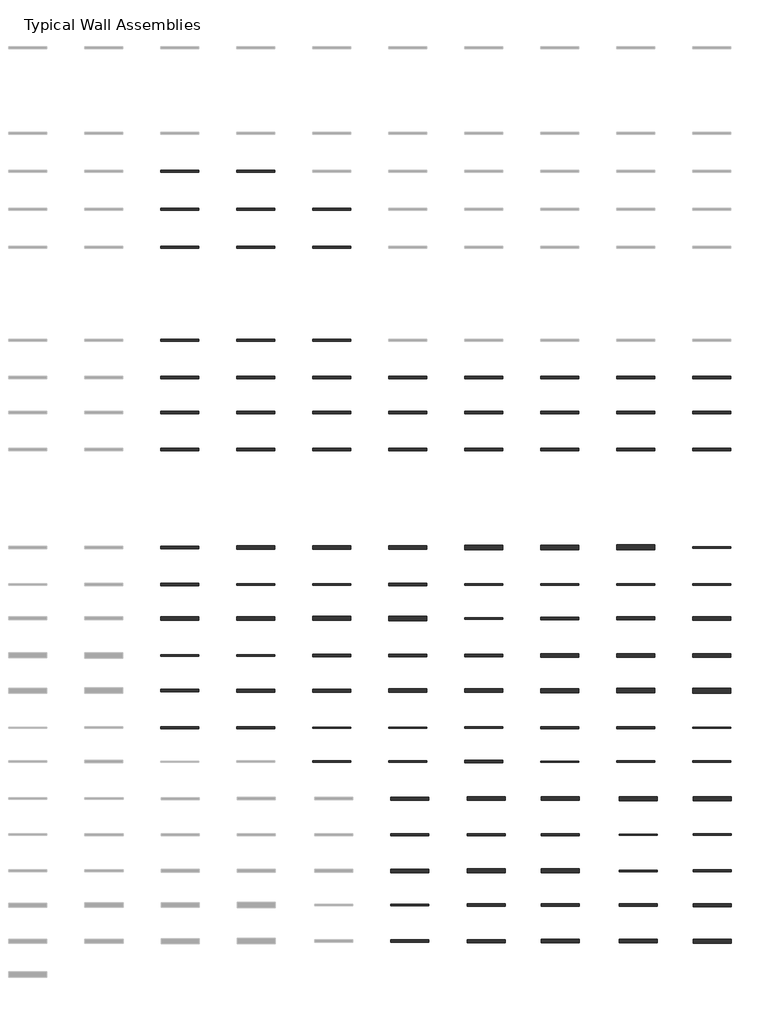
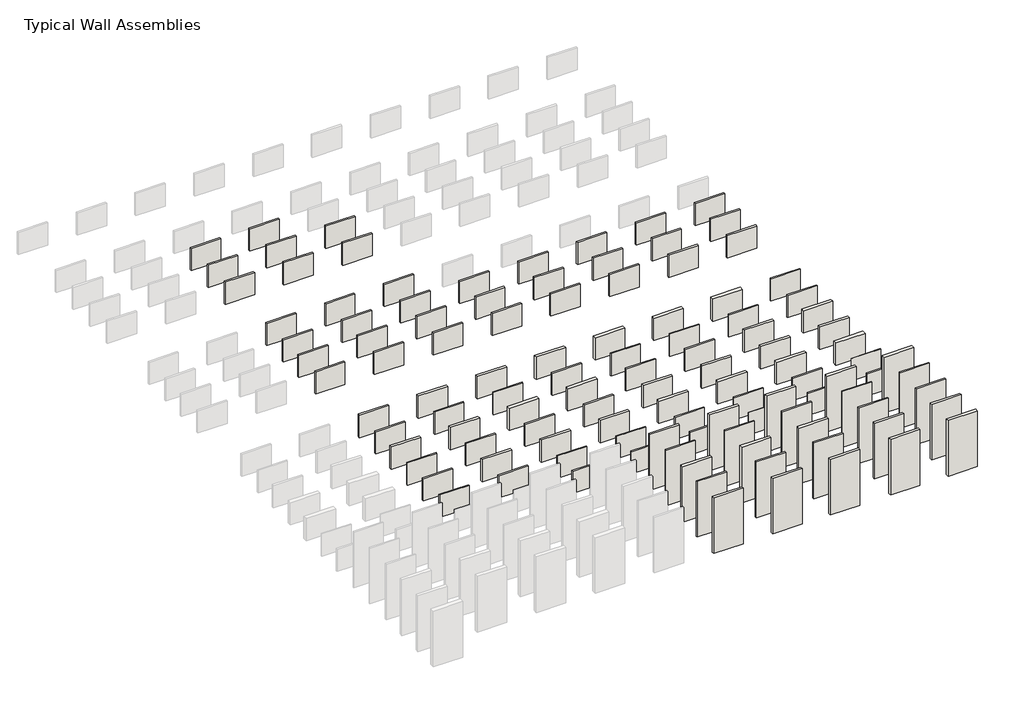
# One storey, part 2 of 3: 114 walls.
"""IFC4 building model written with IfcOpenShell, lengths in millimetres."""

from ifc_helpers import new_model, si_unit, frame, origin, place, context, project, spatial, polyline, outline, extrude, element, save

model = new_model("IFC4")

# Units and contexts
model_context = context("Model", 3, world=origin())
ifc_project = project(units=[si_unit("LENGTHUNIT", "METRE", prefix="MILLI")], contexts=[model_context])

# Site, building, storey
site = spatial("IfcSite", under=ifc_project)
building = spatial("IfcBuilding", under=site)
storey = spatial("IfcBuildingStorey", under=building, Name="Typical Wall Assemblies", Elevation=6096.0)

# Walls
placement = place(None, origin())
element("IfcWall", 1, at=placement, inside=storey, context=model_context, shape_type="SweptSolid", body=[
    extrude(outline(polyline([(3356.874931, -17627.484252), (308.874931, -17627.484252), (308.874931, -17441.746753), (3356.874931, -17441.746753), (3356.874931, -17627.484252)])), frame((0.0, 0.0, 6096.0), z_axis=(0.0, 0.0, 1.0), x_axis=(1.0, 0.0, 0.0)), (0.0, 0.0, 1.0), 2438.4),
])
element("IfcWall", 2, at=placement, inside=storey, context=model_context, shape_type="SweptSolid", body=[
    extrude(outline(polyline([(9452.874931, -17627.484252), (6404.874931, -17627.484252), (6404.874931, -17441.746753), (9452.874931, -17441.746753), (9452.874931, -17627.484252)])), frame((0.0, 0.0, 6096.0), z_axis=(0.0, 0.0, 1.0), x_axis=(1.0, 0.0, 0.0)), (0.0, 0.0, 1.0), 2438.4),
])
element("IfcWall", 3, at=placement, inside=storey, context=model_context, shape_type="SweptSolid", body=[
    extrude(outline(polyline([(3356.874931, -20675.484252), (308.874931, -20675.484252), (308.874931, -20489.746753), (3356.874931, -20489.746753), (3356.874931, -20675.484252)])), frame((0.0, 0.0, 6096.0), z_axis=(0.0, 0.0, 1.0), x_axis=(1.0, 0.0, 0.0)), (0.0, 0.0, 1.0), 2438.4),
])
element("IfcWall", 4, at=placement, inside=storey, context=model_context, shape_type="SweptSolid", body=[
    extrude(outline(polyline([(9452.874931, -20675.484252), (6404.874931, -20675.484252), (6404.874931, -20489.746753), (9452.874931, -20489.746753), (9452.874931, -20675.484252)])), frame((0.0, 0.0, 6096.0), z_axis=(0.0, 0.0, 1.0), x_axis=(1.0, 0.0, 0.0)), (0.0, 0.0, 1.0), 2438.4),
])
element("IfcWall", 5, at=placement, inside=storey, context=model_context, shape_type="SweptSolid", body=[
    extrude(outline(polyline([(15548.874931, -20675.484252), (12500.874931, -20675.484252), (12500.874931, -20489.746753), (15548.874931, -20489.746753), (15548.874931, -20675.484252)])), frame((0.0, 0.0, 6096.0), z_axis=(0.0, 0.0, 1.0), x_axis=(1.0, 0.0, 0.0)), (0.0, 0.0, 1.0), 2438.4),
])
element("IfcWall", 6, at=placement, inside=storey, context=model_context, shape_type="SweptSolid", body=[
    extrude(outline(polyline([(3356.874931, -23723.484252), (308.874931, -23723.484252), (308.874931, -23537.746753), (3356.874931, -23537.746753), (3356.874931, -23723.484252)])), frame((0.0, 0.0, 6096.0), z_axis=(0.0, 0.0, 1.0), x_axis=(1.0, 0.0, 0.0)), (0.0, 0.0, 1.0), 2438.4),
])
element("IfcWall", 7, at=placement, inside=storey, context=model_context, shape_type="SweptSolid", body=[
    extrude(outline(polyline([(9452.874931, -23723.484252), (6404.874931, -23723.484252), (6404.874931, -23537.746753), (9452.874931, -23537.746753), (9452.874931, -23723.484252)])), frame((0.0, 0.0, 6096.0), z_axis=(0.0, 0.0, 1.0), x_axis=(1.0, 0.0, 0.0)), (0.0, 0.0, 1.0), 2438.4),
])
element("IfcWall", 8, at=placement, inside=storey, context=model_context, shape_type="SweptSolid", body=[
    extrude(outline(polyline([(15548.874931, -23723.484252), (12500.874931, -23723.484252), (12500.874931, -23537.746753), (15548.874931, -23537.746753), (15548.874931, -23723.484252)])), frame((0.0, 0.0, 6096.0), z_axis=(0.0, 0.0, 1.0), x_axis=(1.0, 0.0, 0.0)), (0.0, 0.0, 1.0), 2438.4),
])
element("IfcWall", 9, at=placement, inside=storey, context=model_context, shape_type="SweptSolid", body=[
    extrude(outline(polyline([(3356.874931, -31190.290502), (308.874931, -31190.290502), (308.874931, -31006.140503), (3356.874931, -31006.140503), (3356.874931, -31190.290502)])), frame((0.0, 0.0, 6096.0), z_axis=(0.0, 0.0, 1.0), x_axis=(1.0, 0.0, 0.0)), (0.0, 0.0, 1.0), 2438.4),
])
element("IfcWall", 10, at=placement, inside=storey, context=model_context, shape_type="SweptSolid", body=[
    extrude(outline(polyline([(9452.874931, -31190.290502), (6404.874931, -31190.290502), (6404.874931, -31006.140503), (9452.874931, -31006.140503), (9452.874931, -31190.290502)])), frame((0.0, 0.0, 6096.0), z_axis=(0.0, 0.0, 1.0), x_axis=(1.0, 0.0, 0.0)), (0.0, 0.0, 1.0), 2438.4),
])
element("IfcWall", 11, at=placement, inside=storey, context=model_context, shape_type="SweptSolid", body=[
    extrude(outline(polyline([(15548.874931, -31190.290502), (12500.874931, -31190.290502), (12500.874931, -31006.140503), (15548.874931, -31006.140503), (15548.874931, -31190.290502)])), frame((0.0, 0.0, 6096.0), z_axis=(0.0, 0.0, 1.0), x_axis=(1.0, 0.0, 0.0)), (0.0, 0.0, 1.0), 2438.4),
])
element("IfcWall", 12, at=placement, inside=storey, context=model_context, shape_type="SweptSolid", body=[
    extrude(outline(polyline([(3356.874931, -34162.090502), (308.874931, -34162.090502), (308.874931, -33977.940503), (3356.874931, -33977.940503), (3356.874931, -34162.090502)])), frame((0.0, 0.0, 6096.0), z_axis=(0.0, 0.0, 1.0), x_axis=(1.0, 0.0, 0.0)), (0.0, 0.0, 1.0), 2438.4),
])
element("IfcWall", 13, at=placement, inside=storey, context=model_context, shape_type="SweptSolid", body=[
    extrude(outline(polyline([(9452.874931, -34162.090502), (6404.874931, -34162.090502), (6404.874931, -33977.940503), (9452.874931, -33977.940503), (9452.874931, -34162.090502)])), frame((0.0, 0.0, 6096.0), z_axis=(0.0, 0.0, 1.0), x_axis=(1.0, 0.0, 0.0)), (0.0, 0.0, 1.0), 2438.4),
])
element("IfcWall", 14, at=placement, inside=storey, context=model_context, shape_type="SweptSolid", body=[
    extrude(outline(polyline([(15548.874931, -34162.090502), (12500.874931, -34162.090502), (12500.874931, -33977.940503), (15548.874931, -33977.940503), (15548.874931, -34162.090502)])), frame((0.0, 0.0, 6096.0), z_axis=(0.0, 0.0, 1.0), x_axis=(1.0, 0.0, 0.0)), (0.0, 0.0, 1.0), 2438.4),
])
element("IfcWall", 15, at=placement, inside=storey, context=model_context, shape_type="SweptSolid", body=[
    extrude(outline(polyline([(21644.874931, -34162.090502), (18596.874931, -34162.090502), (18596.874931, -33977.940503), (21644.874931, -33977.940503), (21644.874931, -34162.090502)])), frame((0.0, 0.0, 6096.0), z_axis=(0.0, 0.0, 1.0), x_axis=(1.0, 0.0, 0.0)), (0.0, 0.0, 1.0), 2438.4),
])
element("IfcWall", 16, at=placement, inside=storey, context=model_context, shape_type="SweptSolid", body=[
    extrude(outline(polyline([(27740.874931, -34162.090502), (24692.874931, -34162.090502), (24692.874931, -33977.940503), (27740.874931, -33977.940503), (27740.874931, -34162.090502)])), frame((0.0, 0.0, 6096.0), z_axis=(0.0, 0.0, 1.0), x_axis=(1.0, 0.0, 0.0)), (0.0, 0.0, 1.0), 2438.4),
])
element("IfcWall", 17, at=placement, inside=storey, context=model_context, shape_type="SweptSolid", body=[
    extrude(outline(polyline([(33836.874931, -34162.090502), (30788.874931, -34162.090502), (30788.874931, -33977.940503), (33836.874931, -33977.940503), (33836.874931, -34162.090502)])), frame((0.0, 0.0, 6096.0), z_axis=(0.0, 0.0, 1.0), x_axis=(1.0, 0.0, 0.0)), (0.0, 0.0, 1.0), 2438.4),
])
element("IfcWall", 18, at=placement, inside=storey, context=model_context, shape_type="SweptSolid", body=[
    extrude(outline(polyline([(39932.874931, -34162.090502), (36884.874931, -34162.090502), (36884.874931, -33977.940503), (39932.874931, -33977.940503), (39932.874931, -34162.090502)])), frame((0.0, 0.0, 6096.0), z_axis=(0.0, 0.0, 1.0), x_axis=(1.0, 0.0, 0.0)), (0.0, 0.0, 1.0), 2438.4),
])
element("IfcWall", 19, at=placement, inside=storey, context=model_context, shape_type="SweptSolid", body=[
    extrude(outline(polyline([(46028.874931, -34162.090502), (42980.874931, -34162.090502), (42980.874931, -33977.940503), (46028.874931, -33977.940503), (46028.874931, -34162.090502)])), frame((0.0, 0.0, 6096.0), z_axis=(0.0, 0.0, 1.0), x_axis=(1.0, 0.0, 0.0)), (0.0, 0.0, 1.0), 2438.4),
])
element("IfcWall", 20, at=placement, inside=storey, context=model_context, shape_type="SweptSolid", body=[
    extrude(outline(polyline([(3356.874931, -36981.490502), (308.874931, -36981.490502), (308.874931, -36797.340503), (3356.874931, -36797.340503), (3356.874931, -36981.490502)])), frame((0.0, 0.0, 6096.0), z_axis=(0.0, 0.0, 1.0), x_axis=(1.0, 0.0, 0.0)), (0.0, 0.0, 1.0), 2438.4),
])
element("IfcWall", 21, at=placement, inside=storey, context=model_context, shape_type="SweptSolid", body=[
    extrude(outline(polyline([(9452.874931, -36981.490502), (6404.874931, -36981.490502), (6404.874931, -36797.340503), (9452.874931, -36797.340503), (9452.874931, -36981.490502)])), frame((0.0, 0.0, 6096.0), z_axis=(0.0, 0.0, 1.0), x_axis=(1.0, 0.0, 0.0)), (0.0, 0.0, 1.0), 2438.4),
])
element("IfcWall", 22, at=placement, inside=storey, context=model_context, shape_type="SweptSolid", body=[
    extrude(outline(polyline([(15548.874931, -36981.490502), (12500.874931, -36981.490502), (12500.874931, -36797.340503), (15548.874931, -36797.340503), (15548.874931, -36981.490502)])), frame((0.0, 0.0, 6096.0), z_axis=(0.0, 0.0, 1.0), x_axis=(1.0, 0.0, 0.0)), (0.0, 0.0, 1.0), 2438.4),
])
element("IfcWall", 23, at=placement, inside=storey, context=model_context, shape_type="SweptSolid", body=[
    extrude(outline(polyline([(21644.874931, -36981.490502), (18596.874931, -36981.490502), (18596.874931, -36797.340503), (21644.874931, -36797.340503), (21644.874931, -36981.490502)])), frame((0.0, 0.0, 6096.0), z_axis=(0.0, 0.0, 1.0), x_axis=(1.0, 0.0, 0.0)), (0.0, 0.0, 1.0), 2438.4),
])
element("IfcWall", 24, at=placement, inside=storey, context=model_context, shape_type="SweptSolid", body=[
    extrude(outline(polyline([(27740.874931, -36981.490502), (24692.874931, -36981.490502), (24692.874931, -36797.340503), (27740.874931, -36797.340503), (27740.874931, -36981.490502)])), frame((0.0, 0.0, 6096.0), z_axis=(0.0, 0.0, 1.0), x_axis=(1.0, 0.0, 0.0)), (0.0, 0.0, 1.0), 2438.4),
])
element("IfcWall", 25, at=placement, inside=storey, context=model_context, shape_type="SweptSolid", body=[
    extrude(outline(polyline([(33836.874931, -36981.490502), (30788.874931, -36981.490502), (30788.874931, -36797.340503), (33836.874931, -36797.340503), (33836.874931, -36981.490502)])), frame((0.0, 0.0, 6096.0), z_axis=(0.0, 0.0, 1.0), x_axis=(1.0, 0.0, 0.0)), (0.0, 0.0, 1.0), 2438.4),
])
element("IfcWall", 26, at=placement, inside=storey, context=model_context, shape_type="SweptSolid", body=[
    extrude(outline(polyline([(39932.874931, -36981.490502), (36884.874931, -36981.490502), (36884.874931, -36797.340503), (39932.874931, -36797.340503), (39932.874931, -36981.490502)])), frame((0.0, 0.0, 6096.0), z_axis=(0.0, 0.0, 1.0), x_axis=(1.0, 0.0, 0.0)), (0.0, 0.0, 1.0), 2438.4),
])
element("IfcWall", 27, at=placement, inside=storey, context=model_context, shape_type="SweptSolid", body=[
    extrude(outline(polyline([(46028.874931, -36981.490502), (42980.874931, -36981.490502), (42980.874931, -36797.340503), (46028.874931, -36797.340503), (46028.874931, -36981.490502)])), frame((0.0, 0.0, 6096.0), z_axis=(0.0, 0.0, 1.0), x_axis=(1.0, 0.0, 0.0)), (0.0, 0.0, 1.0), 2438.4),
])
element("IfcWall", 28, at=placement, inside=storey, context=model_context, shape_type="SweptSolid", body=[
    extrude(outline(polyline([(3356.874931, -39953.290502), (308.874931, -39953.290502), (308.874931, -39769.140503), (3356.874931, -39769.140503), (3356.874931, -39953.290502)])), frame((0.0, 0.0, 6096.0), z_axis=(0.0, 0.0, 1.0), x_axis=(1.0, 0.0, 0.0)), (0.0, 0.0, 1.0), 2438.4),
])
element("IfcWall", 29, at=placement, inside=storey, context=model_context, shape_type="SweptSolid", body=[
    extrude(outline(polyline([(9452.874931, -39953.290502), (6404.874931, -39953.290502), (6404.874931, -39769.140503), (9452.874931, -39769.140503), (9452.874931, -39953.290502)])), frame((0.0, 0.0, 6096.0), z_axis=(0.0, 0.0, 1.0), x_axis=(1.0, 0.0, 0.0)), (0.0, 0.0, 1.0), 2438.4),
])
element("IfcWall", 30, at=placement, inside=storey, context=model_context, shape_type="SweptSolid", body=[
    extrude(outline(polyline([(15548.874931, -39953.290502), (12500.874931, -39953.290502), (12500.874931, -39769.140503), (15548.874931, -39769.140503), (15548.874931, -39953.290502)])), frame((0.0, 0.0, 6096.0), z_axis=(0.0, 0.0, 1.0), x_axis=(1.0, 0.0, 0.0)), (0.0, 0.0, 1.0), 2438.4),
])
element("IfcWall", 31, at=placement, inside=storey, context=model_context, shape_type="SweptSolid", body=[
    extrude(outline(polyline([(21644.874931, -39953.290502), (18596.874931, -39953.290502), (18596.874931, -39769.140503), (21644.874931, -39769.140503), (21644.874931, -39953.290502)])), frame((0.0, 0.0, 6096.0), z_axis=(0.0, 0.0, 1.0), x_axis=(1.0, 0.0, 0.0)), (0.0, 0.0, 1.0), 2438.4),
])
element("IfcWall", 32, at=placement, inside=storey, context=model_context, shape_type="SweptSolid", body=[
    extrude(outline(polyline([(27740.874931, -39953.290502), (24692.874931, -39953.290502), (24692.874931, -39769.140503), (27740.874931, -39769.140503), (27740.874931, -39953.290502)])), frame((0.0, 0.0, 6096.0), z_axis=(0.0, 0.0, 1.0), x_axis=(1.0, 0.0, 0.0)), (0.0, 0.0, 1.0), 2438.4),
])
element("IfcWall", 33, at=placement, inside=storey, context=model_context, shape_type="SweptSolid", body=[
    extrude(outline(polyline([(33836.874931, -39953.290502), (30788.874931, -39953.290502), (30788.874931, -39769.140503), (33836.874931, -39769.140503), (33836.874931, -39953.290502)])), frame((0.0, 0.0, 6096.0), z_axis=(0.0, 0.0, 1.0), x_axis=(1.0, 0.0, 0.0)), (0.0, 0.0, 1.0), 2438.4),
])
element("IfcWall", 34, at=placement, inside=storey, context=model_context, shape_type="SweptSolid", body=[
    extrude(outline(polyline([(39932.874931, -39953.290502), (36884.874931, -39953.290502), (36884.874931, -39769.140503), (39932.874931, -39769.140503), (39932.874931, -39953.290502)])), frame((0.0, 0.0, 6096.0), z_axis=(0.0, 0.0, 1.0), x_axis=(1.0, 0.0, 0.0)), (0.0, 0.0, 1.0), 2438.4),
])
element("IfcWall", 35, at=placement, inside=storey, context=model_context, shape_type="SweptSolid", body=[
    extrude(outline(polyline([(46028.874931, -39953.290502), (42980.874931, -39953.290502), (42980.874931, -39769.140503), (46028.874931, -39769.140503), (46028.874931, -39953.290502)])), frame((0.0, 0.0, 6096.0), z_axis=(0.0, 0.0, 1.0), x_axis=(1.0, 0.0, 0.0)), (0.0, 0.0, 1.0), 2438.4),
])
element("IfcWall", 36, at=placement, inside=storey, context=model_context, shape_type="SweptSolid", body=[
    extrude(outline(polyline([(3356.874931, -47823.3535054), (308.874931, -47823.3535054), (308.874931, -47596.2774997), (3356.874931, -47596.2774997), (3356.874931, -47823.3535054)])), frame((0.0, 0.0, 6096.0), z_axis=(0.0, 0.0, 1.0), x_axis=(1.0, 0.0, 0.0)), (0.0, 0.0, 1.0), 2438.4),
])
element("IfcWall", 37, at=placement, inside=storey, context=model_context, shape_type="SweptSolid", body=[
    extrude(outline(polyline([(9452.874931, -47832.8785054), (6404.874931, -47832.8785054), (6404.874931, -47586.7524997), (9452.874931, -47586.7524997), (9452.874931, -47832.8785054)])), frame((0.0, 0.0, 6096.0), z_axis=(0.0, 0.0, 1.0), x_axis=(1.0, 0.0, 0.0)), (0.0, 0.0, 1.0), 2438.4),
])
element("IfcWall", 38, at=placement, inside=storey, context=model_context, shape_type="SweptSolid", body=[
    extrude(outline(polyline([(15548.874931, -47848.7534993), (12500.874931, -47848.7534993), (12500.874931, -47570.8775057), (15548.874931, -47570.8775057), (15548.874931, -47848.7534993)])), frame((0.0, 0.0, 6096.0), z_axis=(0.0, 0.0, 1.0), x_axis=(1.0, 0.0, 0.0)), (0.0, 0.0, 1.0), 2438.4),
])
element("IfcWall", 39, at=placement, inside=storey, context=model_context, shape_type="SweptSolid", body=[
    extrude(outline(polyline([(21644.874931, -47858.2784993), (18596.874931, -47858.2784993), (18596.874931, -47561.3525057), (21644.874931, -47561.3525057), (21644.874931, -47858.2784993)])), frame((0.0, 0.0, 6096.0), z_axis=(0.0, 0.0, 1.0), x_axis=(1.0, 0.0, 0.0)), (0.0, 0.0, 1.0), 2438.4),
])
element("IfcWall", 40, at=placement, inside=storey, context=model_context, shape_type="SweptSolid", body=[
    extrude(outline(polyline([(27740.874931, -47877.3284993), (24692.874931, -47877.3284993), (24692.874931, -47542.3025057), (27740.874931, -47542.3025057), (27740.874931, -47877.3284993)])), frame((0.0, 0.0, 6096.0), z_axis=(0.0, 0.0, 1.0), x_axis=(1.0, 0.0, 0.0)), (0.0, 0.0, 1.0), 2438.4),
])
element("IfcWall", 41, at=placement, inside=storey, context=model_context, shape_type="SweptSolid", body=[
    extrude(outline(polyline([(33836.874931, -47883.6785024), (30788.874931, -47883.6785024), (30788.874931, -47535.9525027), (33836.874931, -47535.9525027), (33836.874931, -47883.6785024)])), frame((0.0, 0.0, 6096.0), z_axis=(0.0, 0.0, 1.0), x_axis=(1.0, 0.0, 0.0)), (0.0, 0.0, 1.0), 2438.4),
])
element("IfcWall", 42, at=placement, inside=storey, context=model_context, shape_type="SweptSolid", body=[
    extrude(outline(polyline([(39932.874931, -47909.0784963), (36884.874931, -47909.0784963), (36884.874931, -47510.5525088), (39932.874931, -47510.5525088), (39932.874931, -47909.0784963)])), frame((0.0, 0.0, 6096.0), z_axis=(0.0, 0.0, 1.0), x_axis=(1.0, 0.0, 0.0)), (0.0, 0.0, 1.0), 2438.4),
])
element("IfcWall", 43, at=placement, inside=storey, context=model_context, shape_type="SweptSolid", body=[
    extrude(outline(polyline([(46028.874931, -47763.0285016), (42980.874931, -47763.0285016), (42980.874931, -47656.6025035), (46028.874931, -47656.6025035), (46028.874931, -47763.0285016)])), frame((0.0, 0.0, 6096.0), z_axis=(0.0, 0.0, 1.0), x_axis=(1.0, 0.0, 0.0)), (0.0, 0.0, 1.0), 2438.4),
])
element("IfcWall", 44, at=placement, inside=storey, context=model_context, shape_type="SweptSolid", body=[
    extrude(outline(polyline([(3356.874931, -50779.2785024), (308.874931, -50779.2785024), (308.874931, -50583.9525027), (3356.874931, -50583.9525027), (3356.874931, -50779.2785024)])), frame((0.0, 0.0, 6096.0), z_axis=(0.0, 0.0, 1.0), x_axis=(1.0, 0.0, 0.0)), (0.0, 0.0, 1.0), 2438.4),
])
element("IfcWall", 45, at=placement, inside=storey, context=model_context, shape_type="SweptSolid", body=[
    extrude(outline(polyline([(9452.874931, -50749.1160039), (6404.874931, -50749.1160039), (6404.874931, -50614.1150012), (9452.874931, -50614.1150012), (9452.874931, -50749.1160039)])), frame((0.0, 0.0, 6096.0), z_axis=(0.0, 0.0, 1.0), x_axis=(1.0, 0.0, 0.0)), (0.0, 0.0, 1.0), 2438.4),
])
element("IfcWall", 46, at=placement, inside=storey, context=model_context, shape_type="SweptSolid", body=[
    extrude(outline(polyline([(15548.874931, -50753.8785039), (12500.874931, -50753.8785039), (12500.874931, -50609.3525012), (15548.874931, -50609.3525012), (15548.874931, -50753.8785039)])), frame((0.0, 0.0, 6096.0), z_axis=(0.0, 0.0, 1.0), x_axis=(1.0, 0.0, 0.0)), (0.0, 0.0, 1.0), 2438.4),
])
element("IfcWall", 47, at=placement, inside=storey, context=model_context, shape_type="SweptSolid", body=[
    extrude(outline(polyline([(21644.874931, -50779.2785024), (18596.874931, -50779.2785024), (18596.874931, -50583.9525027), (21644.874931, -50583.9525027), (21644.874931, -50779.2785024)])), frame((0.0, 0.0, 6096.0), z_axis=(0.0, 0.0, 1.0), x_axis=(1.0, 0.0, 0.0)), (0.0, 0.0, 1.0), 2438.4),
])
element("IfcWall", 48, at=placement, inside=storey, context=model_context, shape_type="SweptSolid", body=[
    extrude(outline(polyline([(27740.874931, -50734.8285016), (24692.874931, -50734.8285016), (24692.874931, -50628.4025035), (27740.874931, -50628.4025035), (27740.874931, -50734.8285016)])), frame((0.0, 0.0, 6096.0), z_axis=(0.0, 0.0, 1.0), x_axis=(1.0, 0.0, 0.0)), (0.0, 0.0, 1.0), 2438.4),
])
element("IfcWall", 49, at=placement, inside=storey, context=model_context, shape_type="SweptSolid", body=[
    extrude(outline(polyline([(33836.874931, -50747.5285008), (30788.874931, -50747.5285008), (30788.874931, -50615.7025042), (33836.874931, -50615.7025042), (33836.874931, -50747.5285008)])), frame((0.0, 0.0, 6096.0), z_axis=(0.0, 0.0, 1.0), x_axis=(1.0, 0.0, 0.0)), (0.0, 0.0, 1.0), 2438.4),
])
element("IfcWall", 50, at=placement, inside=storey, context=model_context, shape_type="SweptSolid", body=[
    extrude(outline(polyline([(39932.874931, -50749.1160039), (36884.874931, -50749.1160039), (36884.874931, -50614.1150012), (39932.874931, -50614.1150012), (39932.874931, -50749.1160039)])), frame((0.0, 0.0, 6096.0), z_axis=(0.0, 0.0, 1.0), x_axis=(1.0, 0.0, 0.0)), (0.0, 0.0, 1.0), 2438.4),
])
element("IfcWall", 51, at=placement, inside=storey, context=model_context, shape_type="SweptSolid", body=[
    extrude(outline(polyline([(46028.874931, -50753.8785039), (42980.874931, -50753.8785039), (42980.874931, -50609.3525012), (46028.874931, -50609.3525012), (46028.874931, -50753.8785039)])), frame((0.0, 0.0, 6096.0), z_axis=(0.0, 0.0, 1.0), x_axis=(1.0, 0.0, 0.0)), (0.0, 0.0, 1.0), 2438.4),
])
element("IfcWall", 52, at=placement, inside=storey, context=model_context, shape_type="SweptSolid", body=[
    extrude(outline(polyline([(3356.874931, -53538.3534993), (308.874931, -53538.3534993), (308.874931, -53260.4775057), (3356.874931, -53260.4775057), (3356.874931, -53538.3534993)])), frame((0.0, 0.0, 6096.0), z_axis=(0.0, 0.0, 1.0), x_axis=(1.0, 0.0, 0.0)), (0.0, 0.0, 1.0), 2438.4),
])
element("IfcWall", 53, at=placement, inside=storey, context=model_context, shape_type="SweptSolid", body=[
    extrude(outline(polyline([(9452.874931, -53547.8784993), (6404.874931, -53547.8784993), (6404.874931, -53250.9525057), (9452.874931, -53250.9525057), (9452.874931, -53547.8784993)])), frame((0.0, 0.0, 6096.0), z_axis=(0.0, 0.0, 1.0), x_axis=(1.0, 0.0, 0.0)), (0.0, 0.0, 1.0), 2438.4),
])
element("IfcWall", 54, at=placement, inside=storey, context=model_context, shape_type="SweptSolid", body=[
    extrude(outline(polyline([(15548.874931, -53566.9284993), (12500.874931, -53566.9284993), (12500.874931, -53231.9025057), (15548.874931, -53231.9025057), (15548.874931, -53566.9284993)])), frame((0.0, 0.0, 6096.0), z_axis=(0.0, 0.0, 1.0), x_axis=(1.0, 0.0, 0.0)), (0.0, 0.0, 1.0), 2438.4),
])
element("IfcWall", 55, at=placement, inside=storey, context=model_context, shape_type="SweptSolid", body=[
    extrude(outline(polyline([(21644.874931, -53573.2785024), (18596.874931, -53573.2785024), (18596.874931, -53225.5525027), (21644.874931, -53225.5525027), (21644.874931, -53573.2785024)])), frame((0.0, 0.0, 6096.0), z_axis=(0.0, 0.0, 1.0), x_axis=(1.0, 0.0, 0.0)), (0.0, 0.0, 1.0), 2438.4),
])
element("IfcWall", 56, at=placement, inside=storey, context=model_context, shape_type="SweptSolid", body=[
    extrude(outline(polyline([(27740.874931, -53471.6785039), (24692.874931, -53471.6785039), (24692.874931, -53327.1525012), (27740.874931, -53327.1525012), (27740.874931, -53471.6785039)])), frame((0.0, 0.0, 6096.0), z_axis=(0.0, 0.0, 1.0), x_axis=(1.0, 0.0, 0.0)), (0.0, 0.0, 1.0), 2438.4),
])
element("IfcWall", 57, at=placement, inside=storey, context=model_context, shape_type="SweptSolid", body=[
    extrude(outline(polyline([(33836.874931, -53497.0785024), (30788.874931, -53497.0785024), (30788.874931, -53301.7525027), (33836.874931, -53301.7525027), (33836.874931, -53497.0785024)])), frame((0.0, 0.0, 6096.0), z_axis=(0.0, 0.0, 1.0), x_axis=(1.0, 0.0, 0.0)), (0.0, 0.0, 1.0), 2438.4),
])
element("IfcWall", 58, at=placement, inside=storey, context=model_context, shape_type="SweptSolid", body=[
    extrude(outline(polyline([(39932.874931, -53522.4785054), (36884.874931, -53522.4785054), (36884.874931, -53276.3524997), (39932.874931, -53276.3524997), (39932.874931, -53522.4785054)])), frame((0.0, 0.0, 6096.0), z_axis=(0.0, 0.0, 1.0), x_axis=(1.0, 0.0, 0.0)), (0.0, 0.0, 1.0), 2438.4),
])
element("IfcWall", 59, at=placement, inside=storey, context=model_context, shape_type="SweptSolid", body=[
    extrude(outline(polyline([(46028.874931, -53547.8784993), (42980.874931, -53547.8784993), (42980.874931, -53250.9525057), (46028.874931, -53250.9525057), (46028.874931, -53547.8784993)])), frame((0.0, 0.0, 6096.0), z_axis=(0.0, 0.0, 1.0), x_axis=(1.0, 0.0, 0.0)), (0.0, 0.0, 1.0), 2438.4),
])
element("IfcWall", 60, at=placement, inside=storey, context=model_context, shape_type="SweptSolid", body=[
    extrude(outline(polyline([(3356.874931, -56438.7160039), (308.874931, -56438.7160039), (308.874931, -56303.7150012), (3356.874931, -56303.7150012), (3356.874931, -56438.7160039)])), frame((0.0, 0.0, 6096.0), z_axis=(0.0, 0.0, 1.0), x_axis=(1.0, 0.0, 0.0)), (0.0, 0.0, 1.0), 2438.4),
])
element("IfcWall", 61, at=placement, inside=storey, context=model_context, shape_type="SweptSolid", body=[
    extrude(outline(polyline([(9452.874931, -56443.4785039), (6404.874931, -56443.4785039), (6404.874931, -56298.9525012), (9452.874931, -56298.9525012), (9452.874931, -56443.4785039)])), frame((0.0, 0.0, 6096.0), z_axis=(0.0, 0.0, 1.0), x_axis=(1.0, 0.0, 0.0)), (0.0, 0.0, 1.0), 2438.4),
])
element("IfcWall", 62, at=placement, inside=storey, context=model_context, shape_type="SweptSolid", body=[
    extrude(outline(polyline([(15548.874931, -56462.5285039), (12500.874931, -56462.5285039), (12500.874931, -56279.9025012), (15548.874931, -56279.9025012), (15548.874931, -56462.5285039)])), frame((0.0, 0.0, 6096.0), z_axis=(0.0, 0.0, 1.0), x_axis=(1.0, 0.0, 0.0)), (0.0, 0.0, 1.0), 2438.4),
])
element("IfcWall", 63, at=placement, inside=storey, context=model_context, shape_type="SweptSolid", body=[
    extrude(outline(polyline([(21644.874931, -56468.8785024), (18596.874931, -56468.8785024), (18596.874931, -56273.5525027), (21644.874931, -56273.5525027), (21644.874931, -56468.8785024)])), frame((0.0, 0.0, 6096.0), z_axis=(0.0, 0.0, 1.0), x_axis=(1.0, 0.0, 0.0)), (0.0, 0.0, 1.0), 2438.4),
])
element("IfcWall", 64, at=placement, inside=storey, context=model_context, shape_type="SweptSolid", body=[
    extrude(outline(polyline([(27740.874931, -56484.7535054), (24692.874931, -56484.7535054), (24692.874931, -56257.6774997), (27740.874931, -56257.6774997), (27740.874931, -56484.7535054)])), frame((0.0, 0.0, 6096.0), z_axis=(0.0, 0.0, 1.0), x_axis=(1.0, 0.0, 0.0)), (0.0, 0.0, 1.0), 2438.4),
])
element("IfcWall", 65, at=placement, inside=storey, context=model_context, shape_type="SweptSolid", body=[
    extrude(outline(polyline([(33836.874931, -56494.2785054), (30788.874931, -56494.2785054), (30788.874931, -56248.1524997), (33836.874931, -56248.1524997), (33836.874931, -56494.2785054)])), frame((0.0, 0.0, 6096.0), z_axis=(0.0, 0.0, 1.0), x_axis=(1.0, 0.0, 0.0)), (0.0, 0.0, 1.0), 2438.4),
])
element("IfcWall", 66, at=placement, inside=storey, context=model_context, shape_type="SweptSolid", body=[
    extrude(outline(polyline([(39932.874931, -56510.1534993), (36884.874931, -56510.1534993), (36884.874931, -56232.2775057), (39932.874931, -56232.2775057), (39932.874931, -56510.1534993)])), frame((0.0, 0.0, 6096.0), z_axis=(0.0, 0.0, 1.0), x_axis=(1.0, 0.0, 0.0)), (0.0, 0.0, 1.0), 2438.4),
])
element("IfcWall", 67, at=placement, inside=storey, context=model_context, shape_type="SweptSolid", body=[
    extrude(outline(polyline([(46028.874931, -56519.6784993), (42980.874931, -56519.6784993), (42980.874931, -56222.7525057), (46028.874931, -56222.7525057), (46028.874931, -56519.6784993)])), frame((0.0, 0.0, 6096.0), z_axis=(0.0, 0.0, 1.0), x_axis=(1.0, 0.0, 0.0)), (0.0, 0.0, 1.0), 2438.4),
])
element("IfcWall", 68, at=placement, inside=storey, context=model_context, shape_type="SweptSolid", body=[
    extrude(outline(polyline([(3356.874931, -59288.2785024), (308.874931, -59288.2785024), (308.874931, -59092.9525027), (3356.874931, -59092.9525027), (3356.874931, -59288.2785024)])), frame((0.0, 0.0, 6096.0), z_axis=(0.0, 0.0, 1.0), x_axis=(1.0, 0.0, 0.0)), (0.0, 0.0, 1.0), 2438.4),
])
element("IfcWall", 69, at=placement, inside=storey, context=model_context, shape_type="SweptSolid", body=[
    extrude(outline(polyline([(9452.874931, -59304.1535054), (6404.874931, -59304.1535054), (6404.874931, -59077.0774997), (9452.874931, -59077.0774997), (9452.874931, -59304.1535054)])), frame((0.0, 0.0, 6096.0), z_axis=(0.0, 0.0, 1.0), x_axis=(1.0, 0.0, 0.0)), (0.0, 0.0, 1.0), 2438.4),
])
element("IfcWall", 70, at=placement, inside=storey, context=model_context, shape_type="SweptSolid", body=[
    extrude(outline(polyline([(15548.874931, -59313.6785054), (12500.874931, -59313.6785054), (12500.874931, -59067.5524997), (15548.874931, -59067.5524997), (15548.874931, -59313.6785054)])), frame((0.0, 0.0, 6096.0), z_axis=(0.0, 0.0, 1.0), x_axis=(1.0, 0.0, 0.0)), (0.0, 0.0, 1.0), 2438.4),
])
element("IfcWall", 71, at=placement, inside=storey, context=model_context, shape_type="SweptSolid", body=[
    extrude(outline(polyline([(21644.874931, -59329.5534993), (18596.874931, -59329.5534993), (18596.874931, -59051.6775057), (21644.874931, -59051.6775057), (21644.874931, -59329.5534993)])), frame((0.0, 0.0, 6096.0), z_axis=(0.0, 0.0, 1.0), x_axis=(1.0, 0.0, 0.0)), (0.0, 0.0, 1.0), 2438.4),
])
element("IfcWall", 72, at=placement, inside=storey, context=model_context, shape_type="SweptSolid", body=[
    extrude(outline(polyline([(27740.874931, -59339.0784993), (24692.874931, -59339.0784993), (24692.874931, -59042.1525057), (27740.874931, -59042.1525057), (27740.874931, -59339.0784993)])), frame((0.0, 0.0, 6096.0), z_axis=(0.0, 0.0, 1.0), x_axis=(1.0, 0.0, 0.0)), (0.0, 0.0, 1.0), 2438.4),
])
element("IfcWall", 73, at=placement, inside=storey, context=model_context, shape_type="SweptSolid", body=[
    extrude(outline(polyline([(33836.874931, -59358.1284993), (30788.874931, -59358.1284993), (30788.874931, -59023.1025057), (33836.874931, -59023.1025057), (33836.874931, -59358.1284993)])), frame((0.0, 0.0, 6096.0), z_axis=(0.0, 0.0, 1.0), x_axis=(1.0, 0.0, 0.0)), (0.0, 0.0, 1.0), 2438.4),
])
element("IfcWall", 74, at=placement, inside=storey, context=model_context, shape_type="SweptSolid", body=[
    extrude(outline(polyline([(39932.874931, -59364.4785024), (36884.874931, -59364.4785024), (36884.874931, -59016.7525027), (39932.874931, -59016.7525027), (39932.874931, -59364.4785024)])), frame((0.0, 0.0, 6096.0), z_axis=(0.0, 0.0, 1.0), x_axis=(1.0, 0.0, 0.0)), (0.0, 0.0, 1.0), 2438.4),
])
element("IfcWall", 75, at=placement, inside=storey, context=model_context, shape_type="SweptSolid", body=[
    extrude(outline(polyline([(46028.874931, -59389.8784963), (42980.874931, -59389.8784963), (42980.874931, -58991.3525088), (46028.874931, -58991.3525088), (46028.874931, -59389.8784963)])), frame((0.0, 0.0, 6096.0), z_axis=(0.0, 0.0, 1.0), x_axis=(1.0, 0.0, 0.0)), (0.0, 0.0, 1.0), 2438.4),
])
element("IfcWall", 76, at=placement, inside=storey, context=model_context, shape_type="SweptSolid", body=[
    extrude(outline(polyline([(3356.874931, -62229.0905037), (308.874931, -62229.0905037), (308.874931, -62095.7405014), (3356.874931, -62095.7405014), (3356.874931, -62229.0905037)])), frame((0.0, 0.0, 6096.0), z_axis=(0.0, 0.0, 1.0), x_axis=(1.0, 0.0, 0.0)), (0.0, 0.0, 1.0), 2438.4),
])
element("IfcWall", 77, at=placement, inside=storey, context=model_context, shape_type="SweptSolid", body=[
    extrude(outline(polyline([(9452.874931, -62254.4905021), (6404.874931, -62254.4905021), (6404.874931, -62070.3405029), (9452.874931, -62070.3405029), (9452.874931, -62254.4905021)])), frame((0.0, 0.0, 6096.0), z_axis=(0.0, 0.0, 1.0), x_axis=(1.0, 0.0, 0.0)), (0.0, 0.0, 1.0), 2438.4),
])
element("IfcWall", 78, at=placement, inside=storey, context=model_context, shape_type="SweptSolid", body=[
    extrude(outline(polyline([(15548.874931, -62198.9280029), (12500.874931, -62198.9280029), (12500.874931, -62125.9030021), (15548.874931, -62125.9030021), (15548.874931, -62198.9280029)])), frame((0.0, 0.0, 6096.0), z_axis=(0.0, 0.0, 1.0), x_axis=(1.0, 0.0, 0.0)), (0.0, 0.0, 1.0), 2438.4),
])
element("IfcWall", 79, at=placement, inside=storey, context=model_context, shape_type="SweptSolid", body=[
    extrude(outline(polyline([(21644.874931, -62210.0405014), (18596.874931, -62210.0405014), (18596.874931, -62114.7905037), (21644.874931, -62114.7905037), (21644.874931, -62210.0405014)])), frame((0.0, 0.0, 6096.0), z_axis=(0.0, 0.0, 1.0), x_axis=(1.0, 0.0, 0.0)), (0.0, 0.0, 1.0), 2438.4),
])
element("IfcWall", 80, at=placement, inside=storey, context=model_context, shape_type="SweptSolid", body=[
    extrude(outline(polyline([(27740.874931, -62224.3280037), (24692.874931, -62224.3280037), (24692.874931, -62100.5030014), (27740.874931, -62100.5030014), (27740.874931, -62224.3280037)])), frame((0.0, 0.0, 6096.0), z_axis=(0.0, 0.0, 1.0), x_axis=(1.0, 0.0, 0.0)), (0.0, 0.0, 1.0), 2438.4),
])
element("IfcWall", 81, at=placement, inside=storey, context=model_context, shape_type="SweptSolid", body=[
    extrude(outline(polyline([(33836.874931, -62229.0905037), (30788.874931, -62229.0905037), (30788.874931, -62095.7405014), (33836.874931, -62095.7405014), (33836.874931, -62229.0905037)])), frame((0.0, 0.0, 6096.0), z_axis=(0.0, 0.0, 1.0), x_axis=(1.0, 0.0, 0.0)), (0.0, 0.0, 1.0), 2438.4),
])
element("IfcWall", 82, at=placement, inside=storey, context=model_context, shape_type="SweptSolid", body=[
    extrude(outline(polyline([(39932.874931, -62254.4905021), (36884.874931, -62254.4905021), (36884.874931, -62070.3405029), (39932.874931, -62070.3405029), (39932.874931, -62254.4905021)])), frame((0.0, 0.0, 6096.0), z_axis=(0.0, 0.0, 1.0), x_axis=(1.0, 0.0, 0.0)), (0.0, 0.0, 1.0), 2438.4),
])
element("IfcWall", 83, at=placement, inside=storey, context=model_context, shape_type="SweptSolid", body=[
    extrude(outline(polyline([(46028.874931, -62198.9280029), (42980.874931, -62198.9280029), (42980.874931, -62125.9030021), (46028.874931, -62125.9030021), (46028.874931, -62198.9280029)])), frame((0.0, 0.0, 6096.0), z_axis=(0.0, 0.0, 1.0), x_axis=(1.0, 0.0, 0.0)), (0.0, 0.0, 1.0), 2438.4),
])
element("IfcWall", 84, at=placement, inside=storey, context=model_context, shape_type="SweptSolid", body=[
    extrude(outline(polyline([(15548.874931, -64942.1280037), (12500.874931, -64942.1280037), (12500.874931, -64818.3030014), (15548.874931, -64818.3030014), (15548.874931, -64942.1280037)])), frame((0.0, 0.0, 6096.0), z_axis=(0.0, 0.0, 1.0), x_axis=(1.0, 0.0, 0.0)), (0.0, 0.0, 1.0), 2438.4),
])
element("IfcWall", 85, at=placement, inside=storey, context=model_context, shape_type="SweptSolid", body=[
    extrude(outline(polyline([(21644.874931, -64946.8905037), (18596.874931, -64946.8905037), (18596.874931, -64813.5405014), (21644.874931, -64813.5405014), (21644.874931, -64946.8905037)])), frame((0.0, 0.0, 6096.0), z_axis=(0.0, 0.0, 1.0), x_axis=(1.0, 0.0, 0.0)), (0.0, 0.0, 1.0), 2438.4),
])
element("IfcWall", 86, at=placement, inside=storey, context=model_context, shape_type="SweptSolid", body=[
    extrude(outline(polyline([(27740.874931, -64972.2905021), (24692.874931, -64972.2905021), (24692.874931, -64788.1405029), (27740.874931, -64788.1405029), (27740.874931, -64972.2905021)])), frame((0.0, 0.0, 6096.0), z_axis=(0.0, 0.0, 1.0), x_axis=(1.0, 0.0, 0.0)), (0.0, 0.0, 1.0), 2438.4),
])
element("IfcWall", 87, at=placement, inside=storey, context=model_context, shape_type="SweptSolid", body=[
    extrude(outline(polyline([(33836.874931, -64916.7280029), (30788.874931, -64916.7280029), (30788.874931, -64843.7030021), (33836.874931, -64843.7030021), (33836.874931, -64916.7280029)])), frame((0.0, 0.0, 6096.0), z_axis=(0.0, 0.0, 1.0), x_axis=(1.0, 0.0, 0.0)), (0.0, 0.0, 1.0), 2438.4),
])
element("IfcWall", 88, at=placement, inside=storey, context=model_context, shape_type="SweptSolid", body=[
    extrude(outline(polyline([(39932.874931, -64927.8405014), (36884.874931, -64927.8405014), (36884.874931, -64832.5905037), (39932.874931, -64832.5905037), (39932.874931, -64927.8405014)])), frame((0.0, 0.0, 6096.0), z_axis=(0.0, 0.0, 1.0), x_axis=(1.0, 0.0, 0.0)), (0.0, 0.0, 1.0), 2438.4),
])
element("IfcWall", 89, at=placement, inside=storey, context=model_context, shape_type="SweptSolid", body=[
    extrude(outline(polyline([(46028.874931, -64942.1280037), (42980.874931, -64942.1280037), (42980.874931, -64818.3030014), (46028.874931, -64818.3030014), (46028.874931, -64942.1280037)])), frame((0.0, 0.0, 6096.0), z_axis=(0.0, 0.0, 1.0), x_axis=(1.0, 0.0, 0.0)), (0.0, 0.0, 1.0), 2438.4),
])
element("IfcWall", 90, at=placement, inside=storey, context=model_context, shape_type="SweptSolid", body=[
    extrude(outline(polyline([(21822.674931, -67969.5540051), (18774.674931, -67969.5540051), (18774.674931, -67734.4769999), (21822.674931, -67734.4769999), (21822.674931, -67969.5540051)])), frame((0.0, 0.0, 6096.0), z_axis=(0.0, 0.0, 1.0), x_axis=(1.0, 0.0, 0.0)), (0.0, 0.0, 1.0), 6096.0),
])
element("IfcWall", 91, at=placement, inside=storey, context=model_context, shape_type="SweptSolid", body=[
    extrude(outline(polyline([(27944.074931, -67985.4289991), (24896.074931, -67985.4289991), (24896.074931, -67718.602006), (27944.074931, -67718.602006), (27944.074931, -67985.4289991)])), frame((0.0, 0.0, 6096.0), z_axis=(0.0, 0.0, 1.0), x_axis=(1.0, 0.0, 0.0)), (0.0, 0.0, 1.0), 6096.0),
])
element("IfcWall", 92, at=placement, inside=storey, context=model_context, shape_type="SweptSolid", body=[
    extrude(outline(polyline([(33887.674931, -67994.9539991), (30839.674931, -67994.9539991), (30839.674931, -67709.077006), (33887.674931, -67709.077006), (33887.674931, -67994.9539991)])), frame((0.0, 0.0, 6096.0), z_axis=(0.0, 0.0, 1.0), x_axis=(1.0, 0.0, 0.0)), (0.0, 0.0, 1.0), 6096.0),
])
element("IfcWall", 93, at=placement, inside=storey, context=model_context, shape_type="SweptSolid", body=[
    extrude(outline(polyline([(40136.074931, -68014.0039991), (37088.074931, -68014.0039991), (37088.074931, -67690.027006), (40136.074931, -67690.027006), (40136.074931, -68014.0039991)])), frame((0.0, 0.0, 6096.0), z_axis=(0.0, 0.0, 1.0), x_axis=(1.0, 0.0, 0.0)), (0.0, 0.0, 1.0), 6096.0),
])
element("IfcWall", 94, at=placement, inside=storey, context=model_context, shape_type="SweptSolid", body=[
    extrude(outline(polyline([(46079.674931, -68020.3540021), (43031.674931, -68020.3540021), (43031.674931, -67683.677003), (46079.674931, -67683.677003), (46079.674931, -68020.3540021)])), frame((0.0, 0.0, 6096.0), z_axis=(0.0, 0.0, 1.0), x_axis=(1.0, 0.0, 0.0)), (0.0, 0.0, 1.0), 6096.0),
])
element("IfcWall", 95, at=placement, inside=storey, context=model_context, shape_type="SweptSolid", body=[
    extrude(outline(polyline([(21822.674931, -70809.5280037), (18774.674931, -70809.5280037), (18774.674931, -70685.7030014), (21822.674931, -70685.7030014), (21822.674931, -70809.5280037)])), frame((0.0, 0.0, 6096.0), z_axis=(0.0, 0.0, 1.0), x_axis=(1.0, 0.0, 0.0)), (0.0, 0.0, 1.0), 6096.0),
])
element("IfcWall", 96, at=placement, inside=storey, context=model_context, shape_type="SweptSolid", body=[
    extrude(outline(polyline([(27944.074931, -70814.2905037), (24896.074931, -70814.2905037), (24896.074931, -70680.9405014), (27944.074931, -70680.9405014), (27944.074931, -70814.2905037)])), frame((0.0, 0.0, 6096.0), z_axis=(0.0, 0.0, 1.0), x_axis=(1.0, 0.0, 0.0)), (0.0, 0.0, 1.0), 6096.0),
])
element("IfcWall", 97, at=placement, inside=storey, context=model_context, shape_type="SweptSolid", body=[
    extrude(outline(polyline([(33887.674931, -70839.6905021), (30839.674931, -70839.6905021), (30839.674931, -70655.5405029), (33887.674931, -70655.5405029), (33887.674931, -70839.6905021)])), frame((0.0, 0.0, 6096.0), z_axis=(0.0, 0.0, 1.0), x_axis=(1.0, 0.0, 0.0)), (0.0, 0.0, 1.0), 6096.0),
])
element("IfcWall", 98, at=placement, inside=storey, context=model_context, shape_type="SweptSolid", body=[
    extrude(outline(polyline([(40136.074931, -70795.2405014), (37088.074931, -70795.2405014), (37088.074931, -70699.9905037), (40136.074931, -70699.9905037), (40136.074931, -70795.2405014)])), frame((0.0, 0.0, 6096.0), z_axis=(0.0, 0.0, 1.0), x_axis=(1.0, 0.0, 0.0)), (0.0, 0.0, 1.0), 6096.0),
])
element("IfcWall", 99, at=placement, inside=storey, context=model_context, shape_type="SweptSolid", body=[
    extrude(outline(polyline([(46079.674931, -70807.9405006), (43031.674931, -70807.9405006), (43031.674931, -70687.2905044), (46079.674931, -70687.2905044), (46079.674931, -70807.9405006)])), frame((0.0, 0.0, 6096.0), z_axis=(0.0, 0.0, 1.0), x_axis=(1.0, 0.0, 0.0)), (0.0, 0.0, 1.0), 6096.0),
])
element("IfcWall", 100, at=placement, inside=storey, context=model_context, shape_type="SweptSolid", body=[
    extrude(outline(polyline([(21822.674931, -73786.1539991), (18774.674931, -73786.1539991), (18774.674931, -73500.277006), (21822.674931, -73500.277006), (21822.674931, -73786.1539991)])), frame((0.0, 0.0, 6096.0), z_axis=(0.0, 0.0, 1.0), x_axis=(1.0, 0.0, 0.0)), (0.0, 0.0, 1.0), 6096.0),
])
element("IfcWall", 101, at=placement, inside=storey, context=model_context, shape_type="SweptSolid", body=[
    extrude(outline(polyline([(27944.074931, -73805.2039991), (24896.074931, -73805.2039991), (24896.074931, -73481.227006), (27944.074931, -73481.227006), (27944.074931, -73805.2039991)])), frame((0.0, 0.0, 6096.0), z_axis=(0.0, 0.0, 1.0), x_axis=(1.0, 0.0, 0.0)), (0.0, 0.0, 1.0), 6096.0),
])
element("IfcWall", 102, at=placement, inside=storey, context=model_context, shape_type="SweptSolid", body=[
    extrude(outline(polyline([(33887.674931, -73811.5540021), (30839.674931, -73811.5540021), (30839.674931, -73474.877003), (33887.674931, -73474.877003), (33887.674931, -73811.5540021)])), frame((0.0, 0.0, 6096.0), z_axis=(0.0, 0.0, 1.0), x_axis=(1.0, 0.0, 0.0)), (0.0, 0.0, 1.0), 6096.0),
])
element("IfcWall", 103, at=placement, inside=storey, context=model_context, shape_type="SweptSolid", body=[
    extrude(outline(polyline([(40136.074931, -73709.9540036), (37088.074931, -73709.9540036), (37088.074931, -73576.4770015), (40136.074931, -73576.4770015), (40136.074931, -73709.9540036)])), frame((0.0, 0.0, 6096.0), z_axis=(0.0, 0.0, 1.0), x_axis=(1.0, 0.0, 0.0)), (0.0, 0.0, 1.0), 6096.0),
])
element("IfcWall", 104, at=placement, inside=storey, context=model_context, shape_type="SweptSolid", body=[
    extrude(outline(polyline([(46079.674931, -73735.3540021), (43031.674931, -73735.3540021), (43031.674931, -73551.077003), (46079.674931, -73551.077003), (46079.674931, -73735.3540021)])), frame((0.0, 0.0, 6096.0), z_axis=(0.0, 0.0, 1.0), x_axis=(1.0, 0.0, 0.0)), (0.0, 0.0, 1.0), 6096.0),
])
element("IfcWall", 105, at=placement, inside=storey, context=model_context, shape_type="SweptSolid", body=[
    extrude(outline(polyline([(21822.674931, -76453.1540036), (18774.674931, -76453.1540036), (18774.674931, -76319.6770015), (21822.674931, -76319.6770015), (21822.674931, -76453.1540036)])), frame((0.0, 0.0, 6096.0), z_axis=(0.0, 0.0, 1.0), x_axis=(1.0, 0.0, 0.0)), (0.0, 0.0, 1.0), 6096.0),
])
element("IfcWall", 106, at=placement, inside=storey, context=model_context, shape_type="SweptSolid", body=[
    extrude(outline(polyline([(27944.074931, -76472.2040036), (24896.074931, -76472.2040036), (24896.074931, -76300.6270015), (27944.074931, -76300.6270015), (27944.074931, -76472.2040036)])), frame((0.0, 0.0, 6096.0), z_axis=(0.0, 0.0, 1.0), x_axis=(1.0, 0.0, 0.0)), (0.0, 0.0, 1.0), 6096.0),
])
element("IfcWall", 107, at=placement, inside=storey, context=model_context, shape_type="SweptSolid", body=[
    extrude(outline(polyline([(33887.674931, -76478.5540021), (30839.674931, -76478.5540021), (30839.674931, -76294.277003), (33887.674931, -76294.277003), (33887.674931, -76478.5540021)])), frame((0.0, 0.0, 6096.0), z_axis=(0.0, 0.0, 1.0), x_axis=(1.0, 0.0, 0.0)), (0.0, 0.0, 1.0), 6096.0),
])
element("IfcWall", 108, at=placement, inside=storey, context=model_context, shape_type="SweptSolid", body=[
    extrude(outline(polyline([(40136.074931, -76494.4290051), (37088.074931, -76494.4290051), (37088.074931, -76278.4019999), (40136.074931, -76278.4019999), (40136.074931, -76494.4290051)])), frame((0.0, 0.0, 6096.0), z_axis=(0.0, 0.0, 1.0), x_axis=(1.0, 0.0, 0.0)), (0.0, 0.0, 1.0), 6096.0),
])
element("IfcWall", 109, at=placement, inside=storey, context=model_context, shape_type="SweptSolid", body=[
    extrude(outline(polyline([(46079.674931, -76503.9540051), (43031.674931, -76503.9540051), (43031.674931, -76268.8769999), (46079.674931, -76268.8769999), (46079.674931, -76503.9540051)])), frame((0.0, 0.0, 6096.0), z_axis=(0.0, 0.0, 1.0), x_axis=(1.0, 0.0, 0.0)), (0.0, 0.0, 1.0), 6096.0),
])
element("IfcWall", 110, at=placement, inside=storey, context=model_context, shape_type="SweptSolid", body=[
    extrude(outline(polyline([(21822.674931, -79390.0290051), (18774.674931, -79390.0290051), (18774.674931, -79174.0019999), (21822.674931, -79174.0019999), (21822.674931, -79390.0290051)])), frame((0.0, 0.0, 6096.0), z_axis=(0.0, 0.0, 1.0), x_axis=(1.0, 0.0, 0.0)), (0.0, 0.0, 1.0), 6096.0),
])
element("IfcWall", 111, at=placement, inside=storey, context=model_context, shape_type="SweptSolid", body=[
    extrude(outline(polyline([(27944.074931, -79399.5540051), (24896.074931, -79399.5540051), (24896.074931, -79164.4769999), (27944.074931, -79164.4769999), (27944.074931, -79399.5540051)])), frame((0.0, 0.0, 6096.0), z_axis=(0.0, 0.0, 1.0), x_axis=(1.0, 0.0, 0.0)), (0.0, 0.0, 1.0), 6096.0),
])
element("IfcWall", 112, at=placement, inside=storey, context=model_context, shape_type="SweptSolid", body=[
    extrude(outline(polyline([(33887.674931, -79415.4289991), (30839.674931, -79415.4289991), (30839.674931, -79148.602006), (33887.674931, -79148.602006), (33887.674931, -79415.4289991)])), frame((0.0, 0.0, 6096.0), z_axis=(0.0, 0.0, 1.0), x_axis=(1.0, 0.0, 0.0)), (0.0, 0.0, 1.0), 6096.0),
])
element("IfcWall", 113, at=placement, inside=storey, context=model_context, shape_type="SweptSolid", body=[
    extrude(outline(polyline([(40136.074931, -79424.9539991), (37088.074931, -79424.9539991), (37088.074931, -79139.077006), (40136.074931, -79139.077006), (40136.074931, -79424.9539991)])), frame((0.0, 0.0, 6096.0), z_axis=(0.0, 0.0, 1.0), x_axis=(1.0, 0.0, 0.0)), (0.0, 0.0, 1.0), 6096.0),
])
element("IfcWall", 114, at=placement, inside=storey, context=model_context, shape_type="SweptSolid", body=[
    extrude(outline(polyline([(46079.674931, -79444.0039991), (43031.674931, -79444.0039991), (43031.674931, -79120.027006), (46079.674931, -79120.027006), (46079.674931, -79444.0039991)])), frame((0.0, 0.0, 6096.0), z_axis=(0.0, 0.0, 1.0), x_axis=(1.0, 0.0, 0.0)), (0.0, 0.0, 1.0), 6096.0),
])

save(model, "model.ifc")
